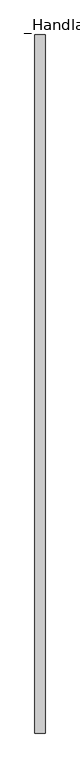
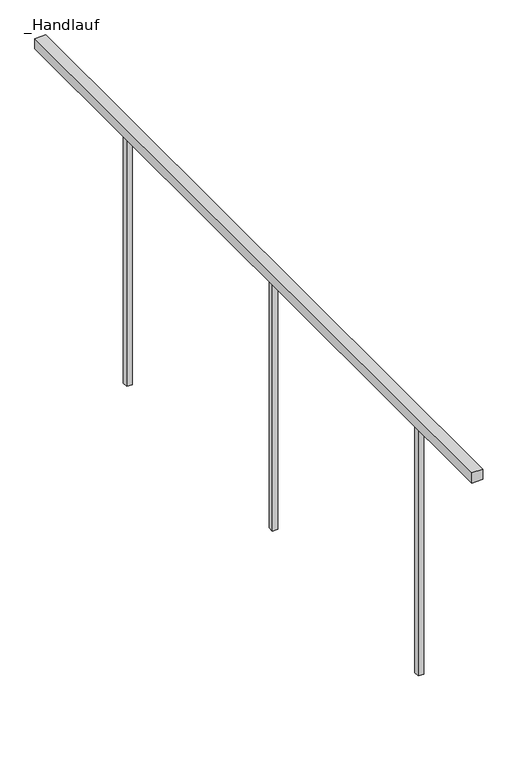
"""IFC4 building model written with IfcOpenShell, lengths in millimetres: railing geometry, _Handlauf."""

from ifc_helpers import new_model, si_unit, frame, origin, place, context, project, spatial, polyline, outline, extrude, source, transform, mapped, element, save


def handlauf_2a9c3ce2(model_context):
    return source(origin(), model_context, "Body", "SweptSolid", [
        extrude(outline(polyline([(1960.0, 5050.0), (2000.0, 5050.0), (2000.0, 2300.0), (1960.0, 2300.0), (1960.0, 5050.0)])), frame((0.0, 0.0, 4460.0), z_axis=(0.0, 0.0, 1.0), x_axis=(1.0, 0.0, 0.0)), (0.0, 0.0, 1.0), 40.0),
        extrude(outline(polyline([(1970.0, 2676.6666667), (1990.0, 2676.6666667), (1990.0, 2656.6666667), (1970.0, 2656.6666667), (1970.0, 2676.6666667)])), frame((0.0, 0.0, 3500.0), z_axis=(0.0, 0.0, 1.0), x_axis=(1.0, 0.0, 0.0)), (0.0, 0.0, 1.0), 960.0),
        extrude(outline(polyline([(1970.0, 3593.3333333), (1990.0, 3593.3333333), (1990.0, 3573.3333333), (1970.0, 3573.3333333), (1970.0, 3593.3333333)])), frame((0.0, 0.0, 3500.0), z_axis=(0.0, 0.0, 1.0), x_axis=(1.0, 0.0, 0.0)), (0.0, 0.0, 1.0), 960.0),
        extrude(outline(polyline([(1970.0, 4510.0), (1990.0, 4510.0), (1990.0, 4490.0), (1970.0, 4490.0), (1970.0, 4510.0)])), frame((0.0, 0.0, 3500.0), z_axis=(0.0, 0.0, 1.0), x_axis=(1.0, 0.0, 0.0)), (0.0, 0.0, 1.0), 960.0),
    ])


if __name__ == "__main__":
    model = new_model("IFC4")
    model_context = context("Model", 3, world=origin())
    ifc_project = project(units=[si_unit("LENGTHUNIT", "METRE", prefix="MILLI")], contexts=[model_context])
    site = spatial("IfcSite", under=ifc_project)
    building = spatial("IfcBuilding", under=site)
    placement = place(None, origin())
    handlauf_shape = handlauf_2a9c3ce2(model_context)
    element("IfcRailing", 1, ObjectType="_Handlauf", at=placement, inside=building, context=model_context, shape_type="MappedRepresentation", body=[
        mapped(handlauf_shape, transform((0.0, 0.0, 0.0), x_axis=(1.0, 0.0, 0.0), y_axis=(0.0, 1.0, 0.0), z_axis=(0.0, 0.0, 1.0))),
    ])
    save(model, "model.ifc")
